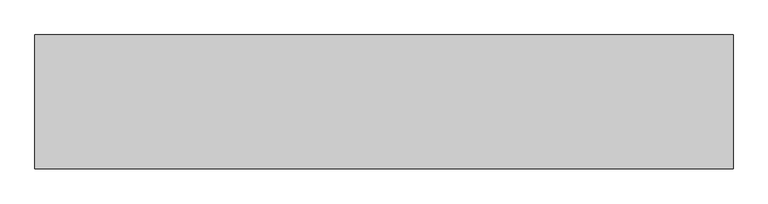
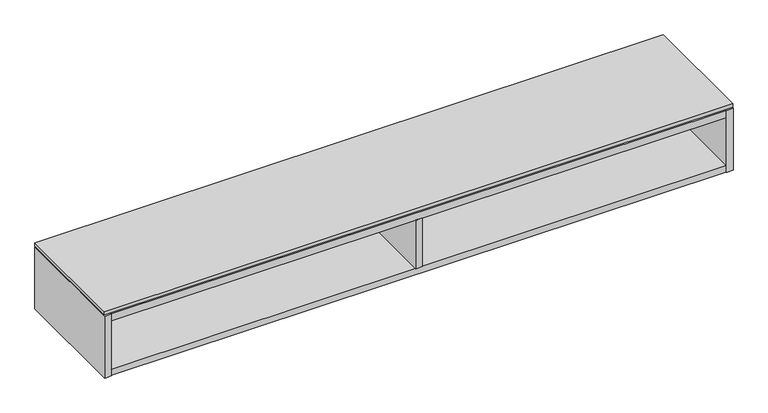
"""IFC4 building model written with IfcOpenShell, lengths in millimetres: furniture geometry."""

from ifc_helpers import new_model, si_unit, frame, origin, place, context, project, spatial, polyline, outline, extrude, faceted_brep, source, transform, mapped, element, save


def furniture_a6af0951(model_context):
    return source(origin(), model_context, "Body", "SolidModel", [
        extrude(outline(polyline([(1368.6234375, -191.0115724), (-457.2, -191.0115724), (-457.2, 158.8226276), (1368.6234375, 158.8226276), (1368.6234375, -191.0115724)])), frame((0.0, 0.0, 1425.702), z_axis=(0.0, 0.0, 1.0), x_axis=(1.0, 0.0, 0.0)), (0.0, 0.0, 1.0), 9.779),
        extrude(outline(polyline([(-437.896, 145.5282676), (-437.896, 158.8226276), (1349.3194375, 158.8226276), (1349.3194375, 145.5282676), (-437.896, 145.5282676)])), frame((0.0, 0.0, 1324.51475), z_axis=(0.0, 0.0, 1.0), x_axis=(1.0, 0.0, 0.0)), (0.0, 0.0, 1.0), 76.2),
        extrude(outline(polyline([(465.3637187, -191.7735724), (446.0597187, -191.7735724), (446.0597187, 126.2242676), (465.3637187, 126.2242676), (465.3637187, -191.7735724)])), frame((0.0, 0.0, 1251.966), z_axis=(0.0, 0.0, 1.0), x_axis=(1.0, 0.0, 0.0)), (0.0, 0.0, 1.0), 148.74875),
        faceted_brep([(1349.3194375, -191.0115724, 1251.966), (-437.896, -191.0115724, 1251.966), (-437.896, -191.0115724, 1232.662), (1349.3194375, -191.0115724, 1232.662), (-437.896, 145.5282676, 1400.71475), (1349.3194375, 145.5282676, 1400.71475), (1349.3194375, 145.5282676, 1231.9), (-437.896, 145.5282676, 1231.9), (1349.3194375, 126.2242676, 1251.966), (-437.896, 126.2242676, 1251.966), (-437.896, 126.2242676, 1232.662), (1349.3194375, 126.2242676, 1232.662), (-437.896, 158.8226276, 1422.4), (-457.2, 158.8226276, 1422.4), (-457.2, -191.7735724, 1422.4), (-437.896, -191.7735724, 1422.4), (1349.3194375, -191.7735724, 1422.4), (1368.6234375, -191.7735724, 1422.4), (1368.6234375, 158.8226276, 1422.4), (1349.3194375, 158.8226276, 1422.4), (-437.896, -191.7735724, 1231.9), (-457.2, -191.7735724, 1231.9), (-457.2, 158.8226276, 1231.9), (-437.896, 158.8226276, 1231.9), (1349.3194375, 158.8226276, 1231.9), (1368.6234375, 158.8226276, 1231.9), (1368.6234375, -191.7735724, 1231.9), (1349.3194375, -191.7735724, 1231.9), (1349.3194375, 126.2242676, 1231.9), (-437.896, 126.2242676, 1231.9), (-437.896, 158.8226276, 1421.638), (1349.3194375, 158.8226276, 1421.638), (1349.3194375, 158.8226276, 1400.71475), (-437.896, 158.8226276, 1400.71475), (-437.896, 126.2242676, 1400.71475), (-437.896, -191.0115724, 1400.71475), (-437.896, -191.0115724, 1421.638), (1349.3194375, -191.0115724, 1421.638), (1349.3194375, -191.0115724, 1400.71475), (1349.3194375, 126.2242676, 1400.71475)], [[[0, 1, 2, 3]], [[4, 5, 6, 7]], [[1, 0, 8, 9]], [[3, 2, 10, 11]], [[12, 13, 14, 15]], [[16, 17, 18, 19]], [[20, 21, 22, 23, 7, 6, 24, 25, 26, 27, 28, 29]], [[13, 12, 30, 31, 19, 18, 25, 24, 32, 33, 23, 22]], [[14, 13, 22, 21]], [[15, 14, 21, 20]], [[4, 7, 23, 33]], [[12, 15, 20, 29, 10, 2, 1, 9, 34, 35, 36, 30]], [[6, 5, 32, 24]], [[16, 19, 31, 37, 38, 39, 8, 0, 3, 11, 28, 27]], [[17, 16, 27, 26]], [[18, 17, 26, 25]], [[37, 36, 35, 38]], [[36, 37, 31, 30]], [[33, 32, 5, 4]], [[38, 35, 34, 39]], [[9, 8, 39, 34]], [[29, 28, 11, 10]]]),
    ])


if __name__ == "__main__":
    model = new_model("IFC4")
    model_context = context("Model", 3, world=origin())
    ifc_project = project(units=[si_unit("LENGTHUNIT", "METRE", prefix="MILLI")], contexts=[model_context])
    site = spatial("IfcSite", under=ifc_project)
    building = spatial("IfcBuilding", under=site)
    placement = place(None, origin())
    furniture_shape = furniture_a6af0951(model_context)
    element("IfcFurniture", 1, at=placement, inside=building, context=model_context, shape_type="MappedRepresentation", body=[
        mapped(furniture_shape, transform((0.0, 0.0, 0.0), x_axis=(1.0, 0.0, 0.0), y_axis=(0.0, 1.0, 0.0), z_axis=(0.0, 0.0, 1.0))),
    ])
    save(model, "model.ifc")
